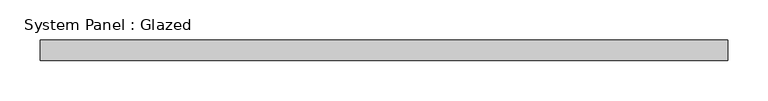
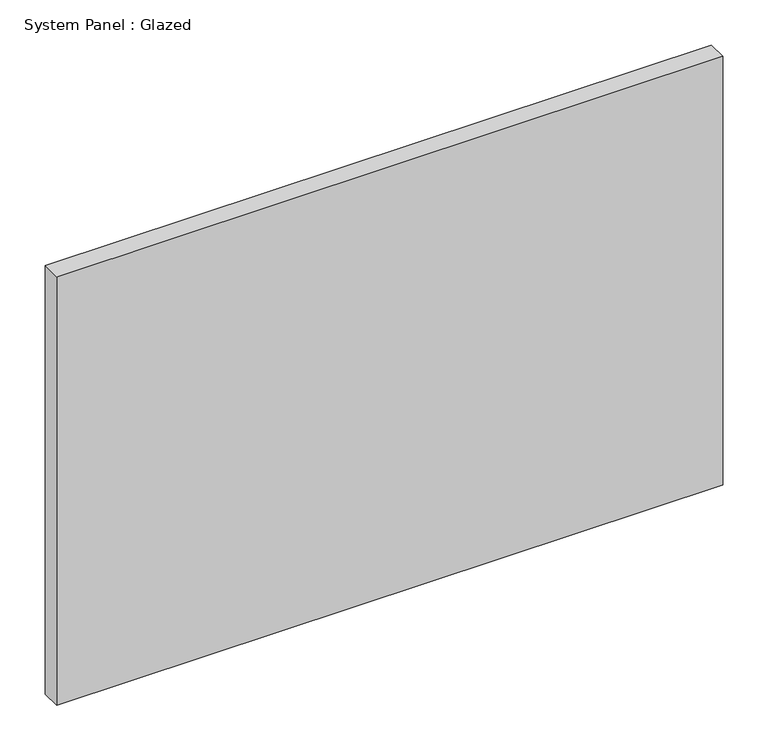
"""IFC4 building model written with IfcOpenShell, lengths in millimetres: plate geometry, System Panel : Glazed."""

from ifc_helpers import new_model, si_unit, origin, origin_with_axes, place, context, project, spatial, polyline, outline, extrude, source, transform, mapped, element, save


def system_panel_glazed_1c75124f(model_context):
    return source(origin(), model_context, "Body", "SweptSolid", [
        extrude(outline(polyline([(425.0, 24.5), (-425.0, 24.5), (-425.0, 49.5), (425.0, 49.5), (425.0, 24.5)])), origin_with_axes(), (0.0, 0.0, 1.0), 578.3333333),
    ])


if __name__ == "__main__":
    model = new_model("IFC4")
    model_context = context("Model", 3, world=origin())
    ifc_project = project(units=[si_unit("LENGTHUNIT", "METRE", prefix="MILLI")], contexts=[model_context])
    site = spatial("IfcSite", under=ifc_project)
    building = spatial("IfcBuilding", under=site)
    placement = place(None, origin())
    system_panel_glazed_shape = system_panel_glazed_1c75124f(model_context)
    element("IfcPlate", 1, ObjectType="System Panel : Glazed", at=placement, inside=building, context=model_context, shape_type="MappedRepresentation", body=[
        mapped(system_panel_glazed_shape, transform((0.0, 0.0, 0.0), x_axis=(1.0, 0.0, 0.0), y_axis=(0.0, 1.0, 0.0), z_axis=(0.0, 0.0, 1.0))),
    ])
    save(model, "model.ifc")
